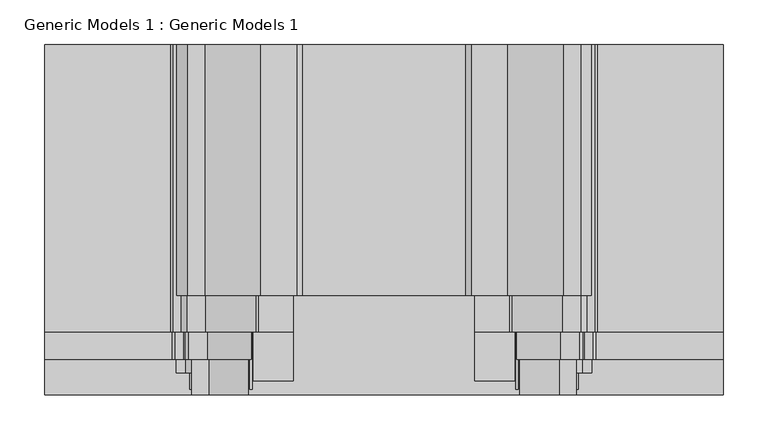
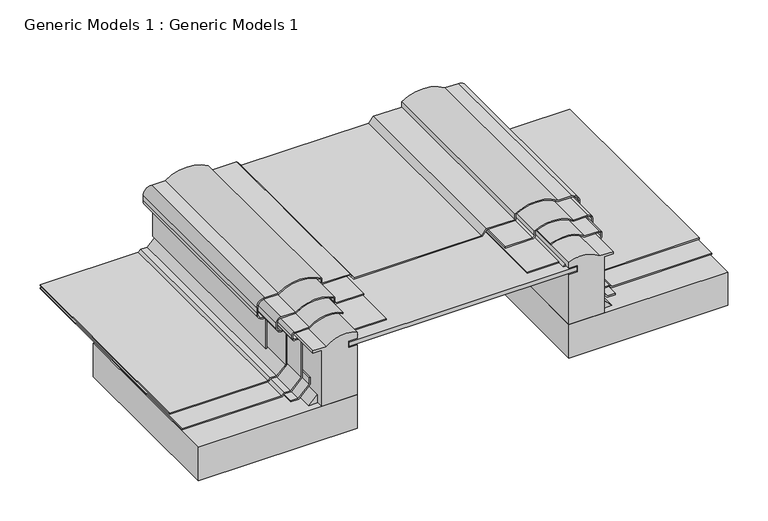
"""IFC4 building model written with IfcOpenShell, lengths in millimetres: proxy geometry, Generic Models 1 : Generic Models 1."""

from ifc_helpers import new_model, si_unit, point, frame, frame_2d, origin, place, context, project, spatial, polyline, circle_curve, trimmed, segment, composite_curve, outline, extrude, source, transform, mapped, element, save


def generic_models_1_generic_models_1_8bbe0cd0(model_context):
    return source(origin(), model_context, "Body", "SweptSolid", [
        extrude(outline(composite_curve([segment(trimmed(circle_curve(frame_2d((215.1371753, 249.3188506)), 46.83125), [point((252.0764562, 278.1052276))], [point((257.2015693, 228.7335952))], False, "CARTESIAN"), True, "CONTINUOUS"), segment(polyline([(257.2015693, 228.7335952), (255.7756576, 229.4314005)]), True, "CONTINUOUS"), segment(trimmed(circle_curve(frame_2d((215.1371753, 249.3188506)), 45.24375), [point((255.7756576, 229.4314005))], [point((250.4889562, 277.5544398))], True, "CARTESIAN"), True, "CONTINUOUS"), segment(polyline([(250.4889562, 277.5544398), (250.4889562, 298.9324978)]), True, "CONTINUOUS"), segment(trimmed(circle_curve(frame_2d((248.1077062, 298.9324978)), 2.38125), [point((250.4889562, 298.9324978))], [point((248.1077062, 301.3137478))], True, "CARTESIAN"), True, "CONTINUOUS"), segment(polyline([(248.1077062, 301.3137478), (243.3452062, 301.3137478)]), True, "CONTINUOUS"), segment(trimmed(circle_curve(frame_2d((243.3452062, 298.9324978)), 2.38125), [point((243.3452062, 301.3137478))], [point((240.9639562, 298.9324978))], True, "CARTESIAN"), True, "CONTINUOUS"), segment(polyline([(240.9639562, 298.9324978), (240.9639562, 291.7887478)]), True, "CONTINUOUS"), segment(trimmed(circle_curve(frame_2d((236.9952062, 291.7887478)), 3.96875), [point((240.9639562, 291.7887478))], [point((236.9952062, 287.8199978))], False, "CARTESIAN"), True, "CONTINUOUS"), segment(polyline([(236.9952062, 287.8199978), (179.2087728, 287.8199978), (163.1764562, 303.8523144), (163.1764562, 313.5631212), (160.0014562, 316.7381212), (160.0014562, 460.8574978), (161.5889562, 460.8574978), (161.5889562, 317.3956852), (164.7639562, 314.2206852), (164.7639562, 304.5098784), (179.8663368, 289.4074978), (236.9952062, 289.4074978)]), True, "CONTINUOUS"), segment(trimmed(circle_curve(frame_2d((236.9952062, 291.7887478)), 2.38125), [point((236.9952062, 289.4074978))], [point((239.3764562, 291.7887478))], True, "CARTESIAN"), True, "CONTINUOUS"), segment(polyline([(239.3764562, 291.7887478), (239.3764562, 298.9324978)]), True, "CONTINUOUS"), segment(trimmed(circle_curve(frame_2d((243.3452062, 298.9324978)), 3.96875), [point((239.3764562, 298.9324978))], [point((243.3452062, 302.9012478))], False, "CARTESIAN"), True, "CONTINUOUS"), segment(polyline([(243.3452062, 302.9012478), (248.1077062, 302.9012478)]), True, "CONTINUOUS"), segment(trimmed(circle_curve(frame_2d((248.1077062, 298.9324978)), 3.96875), [point((248.1077062, 302.9012478))], [point((252.0764562, 298.9324978))], False, "CARTESIAN"), True, "CONTINUOUS"), segment(polyline([(252.0764562, 298.9324978), (252.0764562, 278.1052276)]), True, "CONTINUOUS")], self_intersect=False)), frame((0.0, 40.1629089, 0.0), z_axis=(0.0, 1.0, 0.0), x_axis=(0.0, 0.0, 1.0)), (0.0, 0.0, 1.0), 353.68403),
        extrude(outline(composite_curve([segment(polyline([(250.4889562, 221.1449978), (250.4889562, 181.4574978), (248.9014562, 181.4574978), (248.9014562, 221.1449978)]), True, "CONTINUOUS"), segment(trimmed(circle_curve(frame_2d((252.8702062, 221.1449978)), 3.96875), [point((248.9014562, 221.1449978))], [point((252.8702062, 225.1137478))], False, "CARTESIAN"), True, "CONTINUOUS"), segment(polyline([(252.8702062, 225.1137478), (258.8948951, 225.1137478)]), True, "CONTINUOUS"), segment(trimmed(circle_curve(frame_2d((215.1371753, 249.3188506)), 50.00625), [point((258.8948951, 225.1137478))], [point((255.2514562, 279.1763372))], True, "CARTESIAN"), True, "CONTINUOUS"), segment(polyline([(255.2514562, 279.1763372), (255.2514562, 300.5199978)]), True, "CONTINUOUS"), segment(trimmed(circle_curve(frame_2d((249.6952062, 300.5199978)), 5.55625), [point((255.2514562, 300.5199978))], [point((249.6952062, 306.0762478))], True, "CARTESIAN"), True, "CONTINUOUS"), segment(polyline([(249.6952062, 306.0762478), (241.7577062, 306.0762478)]), True, "CONTINUOUS"), segment(trimmed(circle_curve(frame_2d((241.7577062, 300.5199978)), 5.55625), [point((241.7577062, 306.0762478))], [point((236.2014562, 300.5199978))], True, "CARTESIAN"), True, "CONTINUOUS"), segment(polyline([(236.2014562, 300.5199978), (236.2014562, 296.5512478)]), True, "CONTINUOUS"), segment(trimmed(circle_curve(frame_2d((232.2327062, 296.5512478)), 3.96875), [point((236.2014562, 296.5512478))], [point((232.2327062, 292.5824978))], False, "CARTESIAN"), True, "CONTINUOUS"), segment(polyline([(232.2327062, 292.5824978), (181.1814649, 292.5824978), (167.9389562, 305.8250065), (167.9389562, 315.5358133), (164.7639562, 318.7108133), (164.7639562, 460.8574978), (166.3514562, 460.8574978), (166.3514562, 319.3683773), (169.5264562, 316.1933773), (169.5264562, 306.4825705), (181.8390289, 294.1699978), (232.2327062, 294.1699978)]), True, "CONTINUOUS"), segment(trimmed(circle_curve(frame_2d((232.2327062, 296.5512478)), 2.38125), [point((232.2327062, 294.1699978))], [point((234.6139562, 296.5512478))], True, "CARTESIAN"), True, "CONTINUOUS"), segment(polyline([(234.6139562, 296.5512478), (234.6139562, 300.5199978)]), True, "CONTINUOUS"), segment(trimmed(circle_curve(frame_2d((241.7577062, 300.5199978)), 7.14375), [point((234.6139562, 300.5199978))], [point((241.7577062, 307.6637478))], False, "CARTESIAN"), True, "CONTINUOUS"), segment(polyline([(241.7577062, 307.6637478), (249.6952062, 307.6637478)]), True, "CONTINUOUS"), segment(trimmed(circle_curve(frame_2d((249.6952062, 300.5199978)), 7.14375), [point((249.6952062, 307.6637478))], [point((256.8389562, 300.5199978))], False, "CARTESIAN"), True, "CONTINUOUS"), segment(polyline([(256.8389562, 300.5199978), (256.8389562, 279.6977332)]), True, "CONTINUOUS"), segment(trimmed(circle_curve(frame_2d((215.1371753, 249.3188506)), 51.59375), [point((256.8389562, 279.6977332))], [point((259.8211398, 223.5262478))], False, "CARTESIAN"), True, "CONTINUOUS"), segment(polyline([(259.8211398, 223.5262478), (252.8702062, 223.5262478)]), True, "CONTINUOUS"), segment(trimmed(circle_curve(frame_2d((252.8702062, 221.1449978)), 2.38125), [point((252.8702062, 223.5262478))], [point((250.4889562, 221.1449978))], True, "CARTESIAN"), True, "CONTINUOUS")], self_intersect=False)), frame((0.0, 71.0373617, 0.0), z_axis=(0.0, 1.0, 0.0), x_axis=(0.0, 0.0, 1.0)), (0.0, 0.0, 1.0), 322.8095772),
        extrude(outline(polyline([(177.3392812, -126.7685716), (161.6415882, -142.4662647), (161.6415882, -153.3166489), (160.0540882, -153.3166489), (160.0540882, -141.8087007), (176.6817172, -125.1810716), (187.594353, -125.1810716), (187.594353, -126.7685716), (177.3392812, -126.7685716)])), frame((0.0, 24.9434003, 0.0), z_axis=(0.0, 1.0, 0.0), x_axis=(0.0, 0.0, 1.0)), (0.0, 0.0, 1.0), 368.9035387),
        extrude(outline(polyline([(177.3392812, 286.4835673), (187.594353, 286.4835673), (187.594353, 284.8960673), (176.6817172, 284.8960673), (160.0540882, 301.5236963), (160.0540882, 313.0316446), (161.6415882, 313.0316446), (161.6415882, 302.1812604), (177.3392812, 286.4835673)])), frame((0.0, 24.9434003, 0.0), z_axis=(0.0, 1.0, 0.0), x_axis=(0.0, 0.0, 1.0)), (0.0, 0.0, 1.0), 368.9035387),
        extrude(outline(polyline([(232.2574978, 261.3017557), (460.8574978, 261.3017557), (460.8574978, 0.0), (232.2574978, 0.0), (232.2574978, 261.3017557)])), frame((0.0, 0.0, 106.8202062), z_axis=(0.0, 0.0, 1.0), x_axis=(1.0, 0.0, 0.0)), (0.0, 0.0, 1.0), 50.8),
        extrude(outline(polyline([(-301.1425022, 261.3017557), (-72.5425022, 261.3017557), (-72.5425022, 0.0), (-301.1425022, 0.0), (-301.1425022, 261.3017557)])), frame((0.0, 0.0, 106.8202062), z_axis=(0.0, 0.0, 1.0), x_axis=(1.0, 0.0, 0.0)), (0.0, 0.0, 1.0), 50.8),
        extrude(outline(polyline([(172.2673921, -126.0125543), (160.2518129, -138.0281334), (160.2518129, -126.0125543), (172.2673921, -126.0125543)])), frame((0.0, 6.4857588, 0.0), z_axis=(0.0, 1.0, 0.0), x_axis=(0.0, 0.0, 1.0)), (0.0, 0.0, 1.0), 387.3611802),
        extrude(outline(polyline([(172.2673921, 285.7275499), (160.2518129, 285.7275499), (160.2518129, 297.7431291), (172.2673921, 285.7275499)])), frame((0.0, 6.4857588, 0.0), z_axis=(0.0, 1.0, 0.0), x_axis=(0.0, 0.0, 1.0)), (0.0, 0.0, 1.0), 387.3611802),
        extrude(outline(composite_curve([segment(polyline([(252.0764562, -118.390232), (252.0764562, -139.2175022)]), True, "CONTINUOUS"), segment(trimmed(circle_curve(frame_2d((248.1077062, -139.2175022)), 3.96875), [point((252.0764562, -139.2175022))], [point((248.1077062, -143.1862522))], False, "CARTESIAN"), True, "CONTINUOUS"), segment(polyline([(248.1077062, -143.1862522), (243.3452062, -143.1862522)]), True, "CONTINUOUS"), segment(trimmed(circle_curve(frame_2d((243.3452062, -139.2175022)), 3.96875), [point((243.3452062, -143.1862522))], [point((239.3764562, -139.2175022))], False, "CARTESIAN"), True, "CONTINUOUS"), segment(polyline([(239.3764562, -139.2175022), (239.3764562, -132.0737522)]), True, "CONTINUOUS"), segment(trimmed(circle_curve(frame_2d((236.9952062, -132.0737522)), 2.38125), [point((239.3764562, -132.0737522))], [point((236.9952062, -129.6925022))], True, "CARTESIAN"), True, "CONTINUOUS"), segment(polyline([(236.9952062, -129.6925022), (179.8663368, -129.6925022), (164.7639562, -144.7948827), (164.7639562, -154.5056896), (161.5889562, -157.6806896), (161.5889562, -301.1425022), (160.0014562, -301.1425022), (160.0014562, -157.0231255), (163.1764562, -153.8481255), (163.1764562, -144.1373187), (179.2087728, -128.1050022), (236.9952062, -128.1050022)]), True, "CONTINUOUS"), segment(trimmed(circle_curve(frame_2d((236.9952062, -132.0737522)), 3.96875), [point((236.9952062, -128.1050022))], [point((240.9639562, -132.0737522))], False, "CARTESIAN"), True, "CONTINUOUS"), segment(polyline([(240.9639562, -132.0737522), (240.9639562, -139.2175022)]), True, "CONTINUOUS"), segment(trimmed(circle_curve(frame_2d((243.3452062, -139.2175022)), 2.38125), [point((240.9639562, -139.2175022))], [point((243.3452062, -141.5987522))], True, "CARTESIAN"), True, "CONTINUOUS"), segment(polyline([(243.3452062, -141.5987522), (248.1077062, -141.5987522)]), True, "CONTINUOUS"), segment(trimmed(circle_curve(frame_2d((248.1077062, -139.2175022)), 2.38125), [point((248.1077062, -141.5987522))], [point((250.4889562, -139.2175022))], True, "CARTESIAN"), True, "CONTINUOUS"), segment(polyline([(250.4889562, -139.2175022), (250.4889562, -117.8394442)]), True, "CONTINUOUS"), segment(trimmed(circle_curve(frame_2d((215.1371753, -89.6038549)), 45.24375), [point((250.4889562, -117.8394442))], [point((255.7756576, -69.7164048))], True, "CARTESIAN"), True, "CONTINUOUS"), segment(polyline([(255.7756576, -69.7164048), (257.2015693, -69.0185995)]), True, "CONTINUOUS"), segment(trimmed(circle_curve(frame_2d((215.1371753, -89.6038549)), 46.83125), [point((257.2015693, -69.0185995))], [point((252.0764562, -118.390232))], False, "CARTESIAN"), True, "CONTINUOUS")], self_intersect=False)), frame((0.0, 40.1629089, 0.0), z_axis=(0.0, 1.0, 0.0), x_axis=(0.0, 0.0, 1.0)), (0.0, 0.0, 1.0), 353.68403),
        extrude(outline(composite_curve([segment(trimmed(circle_curve(frame_2d((252.8702062, -61.4300022)), 2.38125), [point((250.4889562, -61.4300022))], [point((252.8702062, -63.8112522))], True, "CARTESIAN"), True, "CONTINUOUS"), segment(polyline([(252.8702062, -63.8112522), (259.8211398, -63.8112522)]), True, "CONTINUOUS"), segment(trimmed(circle_curve(frame_2d((215.1371753, -89.6038549)), 51.59375), [point((259.8211398, -63.8112522))], [point((256.8389562, -119.9827375))], False, "CARTESIAN"), True, "CONTINUOUS"), segment(polyline([(256.8389562, -119.9827375), (256.8389562, -140.8050022)]), True, "CONTINUOUS"), segment(trimmed(circle_curve(frame_2d((249.6952062, -140.8050022)), 7.14375), [point((256.8389562, -140.8050022))], [point((249.6952062, -147.9487522))], False, "CARTESIAN"), True, "CONTINUOUS"), segment(polyline([(249.6952062, -147.9487522), (241.7577062, -147.9487522)]), True, "CONTINUOUS"), segment(trimmed(circle_curve(frame_2d((241.7577062, -140.8050022)), 7.14375), [point((241.7577062, -147.9487522))], [point((234.6139562, -140.8050022))], False, "CARTESIAN"), True, "CONTINUOUS"), segment(polyline([(234.6139562, -140.8050022), (234.6139562, -136.8362522)]), True, "CONTINUOUS"), segment(trimmed(circle_curve(frame_2d((232.2327062, -136.8362522)), 2.38125), [point((234.6139562, -136.8362522))], [point((232.2327062, -134.4550022))], True, "CARTESIAN"), True, "CONTINUOUS"), segment(polyline([(232.2327062, -134.4550022), (181.8390289, -134.4550022), (169.5264562, -146.7675748), (169.5264562, -156.4783817), (166.3514562, -159.6533817), (166.3514562, -301.1425022), (164.7639562, -301.1425022), (164.7639562, -158.9958176), (167.9389562, -155.8208176), (167.9389562, -146.1100108), (181.1814649, -132.8675022), (232.2327062, -132.8675022)]), True, "CONTINUOUS"), segment(trimmed(circle_curve(frame_2d((232.2327062, -136.8362522)), 3.96875), [point((232.2327062, -132.8675022))], [point((236.2014562, -136.8362522))], False, "CARTESIAN"), True, "CONTINUOUS"), segment(polyline([(236.2014562, -136.8362522), (236.2014562, -140.8050022)]), True, "CONTINUOUS"), segment(trimmed(circle_curve(frame_2d((241.7577062, -140.8050022)), 5.55625), [point((236.2014562, -140.8050022))], [point((241.7577062, -146.3612522))], True, "CARTESIAN"), True, "CONTINUOUS"), segment(polyline([(241.7577062, -146.3612522), (249.6952062, -146.3612522)]), True, "CONTINUOUS"), segment(trimmed(circle_curve(frame_2d((249.6952062, -140.8050022)), 5.55625), [point((249.6952062, -146.3612522))], [point((255.2514562, -140.8050022))], True, "CARTESIAN"), True, "CONTINUOUS"), segment(polyline([(255.2514562, -140.8050022), (255.2514562, -119.4613415)]), True, "CONTINUOUS"), segment(trimmed(circle_curve(frame_2d((215.1371753, -89.6038549)), 50.00625), [point((255.2514562, -119.4613415))], [point((258.8948951, -65.3987522))], True, "CARTESIAN"), True, "CONTINUOUS"), segment(polyline([(258.8948951, -65.3987522), (252.8702062, -65.3987522)]), True, "CONTINUOUS"), segment(trimmed(circle_curve(frame_2d((252.8702062, -61.4300022)), 3.96875), [point((252.8702062, -65.3987522))], [point((248.9014562, -61.4300022))], False, "CARTESIAN"), True, "CONTINUOUS"), segment(polyline([(248.9014562, -61.4300022), (248.9014562, -21.7425022), (250.4889562, -21.7425022), (250.4889562, -61.4300022)]), True, "CONTINUOUS")], self_intersect=False)), frame((0.0, 71.0373617, 0.0), z_axis=(0.0, 1.0, 0.0), x_axis=(0.0, 0.0, 1.0)), (0.0, 0.0, 1.0), 322.8095772),
        extrude(outline(polyline([(-67.0854709, 393.8469389), (-21.7425022, 393.8469389), (-21.7425022, 15.9368759), (-67.0854709, 15.9368759), (-67.0854709, 393.8469389)])), frame((0.0, 0.0, 244.1389562), z_axis=(0.0, 0.0, 1.0), x_axis=(1.0, 0.0, 0.0)), (0.0, 0.0, 1.0), 1.5875),
        extrude(outline(polyline([(-83.6550022, 261.3017557), (243.3699978, 261.3017557), (243.3699978, 0.0), (-83.6550022, 0.0), (-83.6550022, 261.3017557)])), frame((0.0, 0.0, 235.4077062), z_axis=(0.0, 0.0, 1.0), x_axis=(1.0, 0.0, 0.0)), (0.0, 0.0, 1.0), 6.35),
        extrude(outline(composite_curve([segment(polyline([(246.5202062, 171.5510019), (246.5202062, -11.8360062), (254.4577062, -18.1860062), (254.4577062, -59.0487522), (262.4912946, -59.0487522)]), True, "CONTINUOUS"), segment(trimmed(circle_curve(frame_2d((215.1371753, -89.6038549)), 56.35625), [point((262.4912946, -59.0487522))], [point((261.6014562, -121.4958212))], False, "CARTESIAN"), True, "CONTINUOUS"), segment(polyline([(261.6014562, -121.4958212), (261.6014562, -140.8050022)]), True, "CONTINUOUS"), segment(trimmed(circle_curve(frame_2d((249.6952062, -140.8050022)), 11.90625), [point((261.6014562, -140.8050022))], [point((249.6952062, -152.7112522))], False, "CARTESIAN"), True, "CONTINUOUS"), segment(polyline([(249.6952062, -152.7112522), (241.7577062, -152.7112522)]), True, "CONTINUOUS"), segment(trimmed(circle_curve(frame_2d((241.7577062, -140.8050022)), 11.90625), [point((241.7577062, -152.7112522))], [point((229.8514562, -140.8050022))], False, "CARTESIAN"), True, "CONTINUOUS"), segment(polyline([(229.8514562, -140.8050022), (229.8514562, -139.2175022), (183.482939, -139.2175022), (183.482939, -137.6300022), (231.4389562, -137.6300022), (231.4389562, -140.8050022)]), True, "CONTINUOUS"), segment(trimmed(circle_curve(frame_2d((241.7577062, -140.8050022)), 10.31875), [point((231.4389562, -140.8050022))], [point((241.7577062, -151.1237522))], True, "CARTESIAN"), True, "CONTINUOUS"), segment(polyline([(241.7577062, -151.1237522), (249.6952062, -151.1237522)]), True, "CONTINUOUS"), segment(trimmed(circle_curve(frame_2d((249.6952062, -140.8050022)), 10.31875), [point((249.6952062, -151.1237522))], [point((260.0139562, -140.8050022))], True, "CARTESIAN"), True, "CONTINUOUS"), segment(polyline([(260.0139562, -140.8050022), (260.0139562, -120.9995634)]), True, "CONTINUOUS"), segment(trimmed(circle_curve(frame_2d((215.1371753, -89.6038549)), 54.76875), [point((260.0139562, -120.9995634))], [point((261.6182894, -60.6362522))], True, "CARTESIAN"), True, "CONTINUOUS"), segment(polyline([(261.6182894, -60.6362522), (252.8702062, -60.6362522), (252.8702062, -18.9489981), (244.9327062, -12.5989981), (244.9327062, 172.3139938), (252.8702062, 178.6639938), (252.8702062, 220.3512478), (261.6182894, 220.3512478)]), True, "CONTINUOUS"), segment(trimmed(circle_curve(frame_2d((215.1371753, 249.3188506)), 54.76875), [point((261.6182894, 220.3512478))], [point((260.0139562, 280.7145591))], True, "CARTESIAN"), True, "CONTINUOUS"), segment(polyline([(260.0139562, 280.7145591), (260.0139562, 300.5199978)]), True, "CONTINUOUS"), segment(trimmed(circle_curve(frame_2d((249.6952062, 300.5199978)), 10.31875), [point((260.0139562, 300.5199978))], [point((249.6952062, 310.8387478))], True, "CARTESIAN"), True, "CONTINUOUS"), segment(polyline([(249.6952062, 310.8387478), (241.7577062, 310.8387478)]), True, "CONTINUOUS"), segment(trimmed(circle_curve(frame_2d((241.7577062, 300.5199978)), 10.31875), [point((241.7577062, 310.8387478))], [point((231.4389562, 300.5199978))], True, "CARTESIAN"), True, "CONTINUOUS"), segment(polyline([(231.4389562, 300.5199978), (231.4389562, 297.3449978), (183.482939, 297.3449978), (183.482939, 298.9324978), (229.8514562, 298.9324978), (229.8514562, 300.5199978)]), True, "CONTINUOUS"), segment(trimmed(circle_curve(frame_2d((241.7577062, 300.5199978)), 11.90625), [point((229.8514562, 300.5199978))], [point((241.7577062, 312.4262478))], False, "CARTESIAN"), True, "CONTINUOUS"), segment(polyline([(241.7577062, 312.4262478), (249.6952062, 312.4262478)]), True, "CONTINUOUS"), segment(trimmed(circle_curve(frame_2d((249.6952062, 300.5199978)), 11.90625), [point((249.6952062, 312.4262478))], [point((261.6014562, 300.5199978))], False, "CARTESIAN"), True, "CONTINUOUS"), segment(polyline([(261.6014562, 300.5199978), (261.6014562, 281.2108169)]), True, "CONTINUOUS"), segment(trimmed(circle_curve(frame_2d((215.1371753, 249.3188506)), 56.35625), [point((261.6014562, 281.2108169))], [point((262.4912946, 218.7637478))], False, "CARTESIAN"), True, "CONTINUOUS"), segment(polyline([(262.4912946, 218.7637478), (254.4577062, 218.7637478), (254.4577062, 177.9010019), (246.5202062, 171.5510019)]), True, "CONTINUOUS")], self_intersect=False)), frame((0.0, 111.7834036, 0.0), z_axis=(0.0, 1.0, 0.0), x_axis=(0.0, 0.0, 1.0)), (0.0, 0.0, 1.0), 282.0635353),
        extrude(outline(polyline([(246.3212643, 230.7192702), (243.1617376, 227.5597435), (243.1617376, 230.7192702), (246.3212643, 230.7192702)])), frame((0.0, 6.4857588, 0.0), z_axis=(0.0, 1.0, 0.0), x_axis=(0.0, 0.0, 1.0)), (0.0, 0.0, 1.0), 387.3611802),
        extrude(outline(composite_curve([segment(polyline([(157.6202062, 232.2574978), (157.6202062, 283.0574978), (243.3452062, 283.0574978), (243.3452062, 295.7574978), (246.5202062, 295.7574978), (246.5202062, 276.7074978)]), True, "CONTINUOUS"), segment(trimmed(circle_curve(frame_2d((213.5496753, 249.3188506)), 42.8625), [point((246.5202062, 276.7074978))], [point((252.8702062, 232.2574978))], False, "CARTESIAN"), True, "CONTINUOUS"), segment(polyline([(252.8702062, 232.2574978), (243.3452062, 232.2574978), (243.3452062, 244.9574978), (233.8202062, 244.9574978), (233.8202062, 232.2574978), (157.6202062, 232.2574978)]), True, "CONTINUOUS")], self_intersect=False)), frame((0.0, 0.0, 0.0), z_axis=(0.0, 1.0, 0.0), x_axis=(0.0, 0.0, 1.0)), (0.0, 0.0, 1.0), 261.3017557),
        extrude(outline(composite_curve([segment(polyline([(157.6202062, -72.5425022), (233.8202062, -72.5425022), (233.8202062, -85.2425022), (243.3452062, -85.2425022), (243.3452062, -72.5425022), (252.8702062, -72.5425022)]), True, "CONTINUOUS"), segment(trimmed(circle_curve(frame_2d((213.5496753, -89.6038549)), 42.8625), [point((252.8702062, -72.5425022))], [point((246.5202062, -116.9925022))], False, "CARTESIAN"), True, "CONTINUOUS"), segment(polyline([(246.5202062, -116.9925022), (246.5202062, -136.0425022), (243.3452062, -136.0425022), (243.3452062, -123.3425022), (157.6202062, -123.3425022), (157.6202062, -72.5425022)]), True, "CONTINUOUS")], self_intersect=False)), frame((0.0, 0.0, 0.0), z_axis=(0.0, 1.0, 0.0), x_axis=(0.0, 0.0, 1.0)), (0.0, 0.0, 1.0), 261.3017557),
        extrude(outline(polyline([(181.4574978, 393.8469389), (226.8004666, 393.8469389), (226.8004666, 15.9368759), (181.4574978, 15.9368759), (181.4574978, 393.8469389)])), frame((0.0, 0.0, 244.1389562), z_axis=(0.0, 0.0, 1.0), x_axis=(1.0, 0.0, 0.0)), (0.0, 0.0, 1.0), 1.5875),
        extrude(outline(polyline([(246.3212643, -71.0042746), (243.1617376, -71.0042746), (243.1617376, -67.8447478), (246.3212643, -71.0042746)])), frame((0.0, 6.4857588, 0.0), z_axis=(0.0, 1.0, 0.0), x_axis=(0.0, 0.0, 1.0)), (0.0, 0.0, 1.0), 387.3611802),
    ])


if __name__ == "__main__":
    model = new_model("IFC4")
    model_context = context("Model", 3, world=origin())
    ifc_project = project(units=[si_unit("LENGTHUNIT", "METRE", prefix="MILLI")], contexts=[model_context])
    site = spatial("IfcSite", under=ifc_project)
    building = spatial("IfcBuilding", under=site)
    placement = place(None, origin())
    generic_models_1_generic_models_1_shape = generic_models_1_generic_models_1_8bbe0cd0(model_context)
    element("IfcBuildingElementProxy", 1, Name="Generic Models 1 : Generic Models 1", ObjectType="Generic Models 1 : Generic Models 1", at=placement, inside=building, context=model_context, shape_type="MappedRepresentation", body=[
        mapped(generic_models_1_generic_models_1_shape, transform((0.0, 0.0, 0.0), x_axis=(1.0, 0.0, 0.0), y_axis=(0.0, 1.0, 0.0), z_axis=(0.0, 0.0, 1.0))),
    ])
    save(model, "model.ifc")
